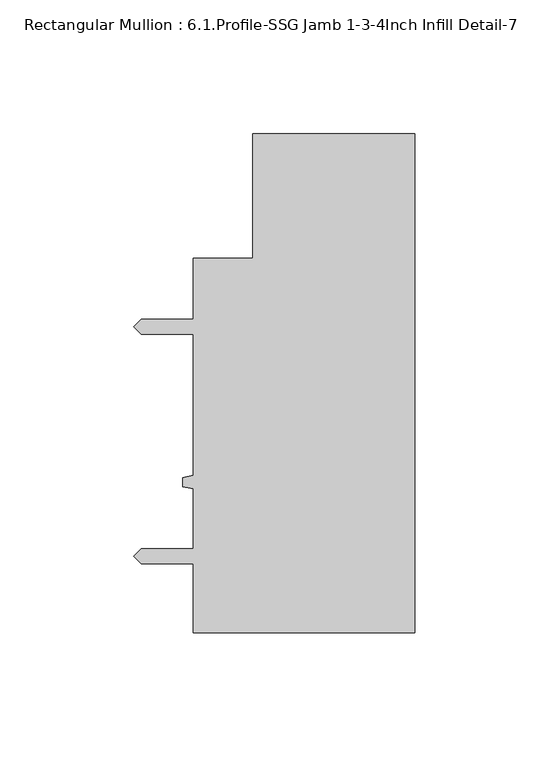
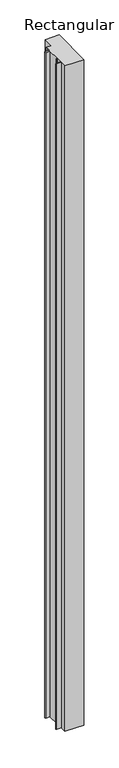
"""IFC4 building model written with IfcOpenShell, lengths in millimetres: member geometry, Rectangular Mullion : 6.1.Profile-SSG Jamb 1-3-4Inch Infill Detail-7."""

from ifc_helpers import new_model, si_unit, frame, origin, place, context, project, spatial, polyline, outline, extrude, source, transform, mapped, element, save


def rectangular_mullion_6_1_profile_ssg_jamb_1_3_4inch_infill_d93cc4de(model_context):
    return source(origin(), model_context, "Body", "SweptSolid", [
        extrude(outline(polyline([(-82.7668749, -107.2014882), (-82.7668749, -81.3696857), (-102.1215987, -81.3696857), (-104.8648241, -78.6264743), (-102.1215987, -75.8832882), (-82.7668749, -75.8832882), (-82.7668749, -53.5141515), (-86.5768749, -52.5997524), (-86.5768749, -49.2977707), (-82.7668749, -48.3833716), (-82.7668749, 4.3553093), (-102.1215987, 4.3553093), (-104.8648241, 7.0985207), (-102.1215987, 9.8417068), (-82.7668749, 9.8417068), (-82.7668749, 26.2202364), (-82.7668749, 32.5702364), (-60.5419882, 32.5702364), (-60.5419882, 79.1092101), (0.0, 79.1092101), (0.0, -107.2014882), (-82.7668749, -107.2014882)])), frame((0.0, 0.0, -3048.0), z_axis=(0.0, 0.0, 1.0), x_axis=(1.0, 0.0, 0.0)), (0.0, 0.0, 1.0), 3048.0),
    ])


if __name__ == "__main__":
    model = new_model("IFC4")
    model_context = context("Model", 3, world=origin())
    ifc_project = project(units=[si_unit("LENGTHUNIT", "METRE", prefix="MILLI")], contexts=[model_context])
    site = spatial("IfcSite", under=ifc_project)
    building = spatial("IfcBuilding", under=site)
    placement = place(None, origin())
    rectangular_mullion_6_1_profile_ssg_jamb_1_3_4inch_infill_shape = rectangular_mullion_6_1_profile_ssg_jamb_1_3_4inch_infill_d93cc4de(model_context)
    element("IfcMember", 1, ObjectType="Rectangular Mullion : 6.1.Profile-SSG Jamb 1-3-4Inch Infill Detail-7", at=placement, inside=building, context=model_context, shape_type="MappedRepresentation", body=[
        mapped(rectangular_mullion_6_1_profile_ssg_jamb_1_3_4inch_infill_shape, transform((0.0, 0.0, 0.0), x_axis=(1.0, 0.0, 0.0), y_axis=(0.0, 1.0, 0.0), z_axis=(0.0, 0.0, 1.0))),
    ])
    save(model, "model.ifc")
